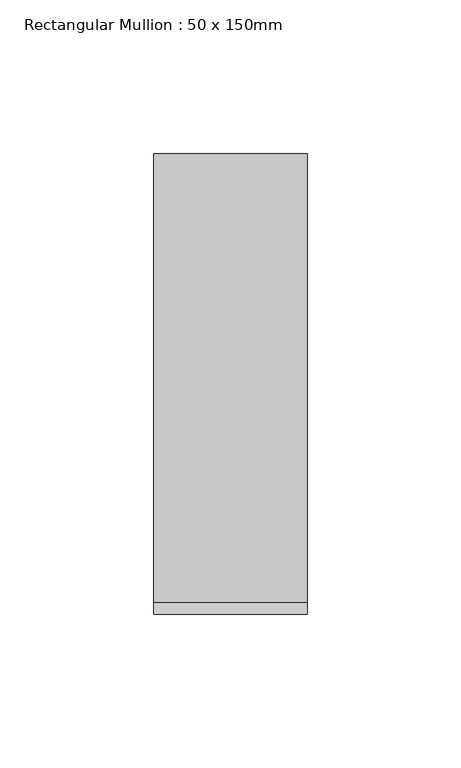
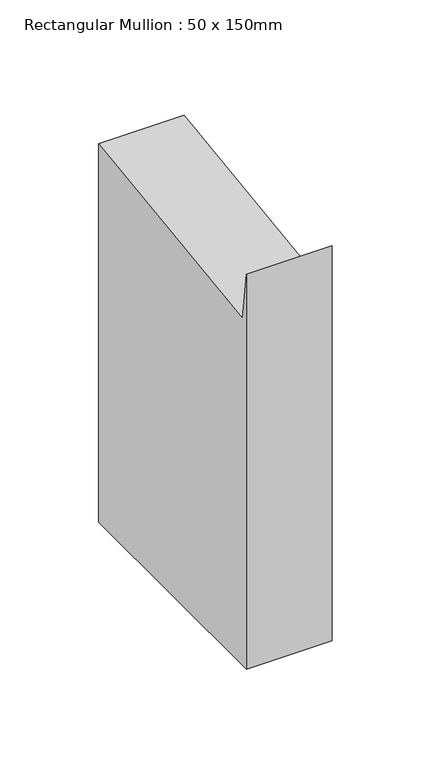
"""IFC4 building model written with IfcOpenShell, lengths in millimetres: member geometry, Rectangular Mullion : 50 x 150mm."""

from ifc_helpers import new_model, si_unit, frame, origin, place, context, project, spatial, polyline, outline, extrude, source, transform, mapped, element, save


def rectangular_mullion_50_x_150mm_e7354826(model_context):
    return source(origin(), model_context, "Body", "SweptSolid", [
        extrude(outline(polyline([(-75.0, 20.0164197), (-71.0328341, -9.7035513), (75.0, 9.7896196), (75.0, -224.1542008), (-75.0, -224.1542008), (-75.0, 20.0164197)])), frame((-25.0, 0.0, 0.0), z_axis=(1.0, 0.0, 0.0), x_axis=(0.0, 1.0, 0.0)), (0.0, 0.0, 1.0), 50.0),
    ])


if __name__ == "__main__":
    model = new_model("IFC4")
    model_context = context("Model", 3, world=origin())
    ifc_project = project(units=[si_unit("LENGTHUNIT", "METRE", prefix="MILLI")], contexts=[model_context])
    site = spatial("IfcSite", under=ifc_project)
    building = spatial("IfcBuilding", under=site)
    placement = place(None, origin())
    rectangular_mullion_50_x_150mm_shape = rectangular_mullion_50_x_150mm_e7354826(model_context)
    element("IfcMember", 1, ObjectType="Rectangular Mullion : 50 x 150mm", at=placement, inside=building, context=model_context, shape_type="MappedRepresentation", body=[
        mapped(rectangular_mullion_50_x_150mm_shape, transform((0.0, 0.0, 0.0), x_axis=(1.0, 0.0, 0.0), y_axis=(0.0, 1.0, 0.0), z_axis=(0.0, 0.0, 1.0))),
    ])
    save(model, "model.ifc")
